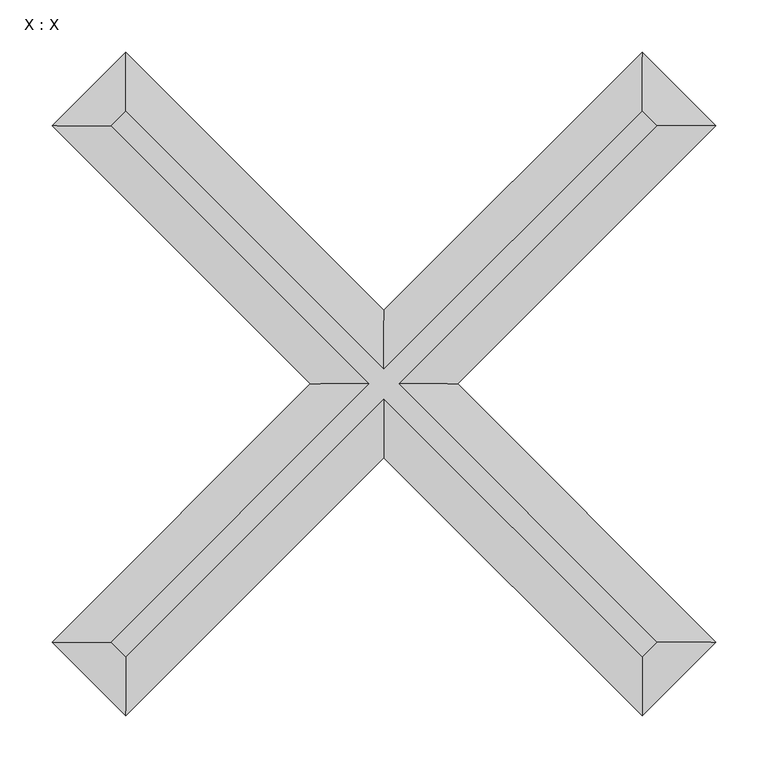
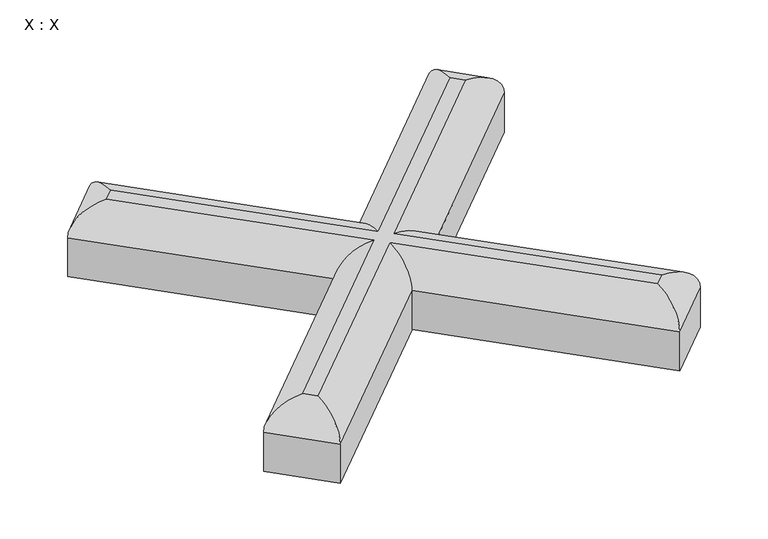
"""IFC4 building model written with IfcOpenShell, lengths in millimetres: proxy geometry, X : X."""

from ifc_helpers import new_model, si_unit, frame, origin, place, context, project, spatial, ellipse_curve, source, transform, mapped, element, save
from ifc_brep_helpers import plane_surface, cylinder_surface, advanced_brep


def x_x_d83d8d01(model_context):
    return source(origin(), model_context, "Body", "AdvancedBrep", [
        advanced_brep(
        [(-14.1421356, 0.0, 100.0), (-261.629509, -247.4873734, 100.0), (-247.4873734, -261.629509, 100.0), (0.0, -14.1421356, 100.0), (247.4873734, -261.629509, 100.0), (261.629509, -247.4873734, 100.0), (14.1421356, 0.0, 100.0), (261.629509, 247.4873734, 100.0), (247.4873734, 261.629509, 100.0), (0.0, 14.1421356, 100.0), (-247.4873734, 261.629509, 100.0), (-261.629509, 247.4873734, 100.0), (-247.4873734, 318.1980515, 0.0), (0.0, 70.7106781, 0.0), (247.4873734, 318.1980515, 0.0), (318.1980515, 247.4873734, 0.0), (70.7106781, 0.0, 0.0), (318.1980515, -247.4873734, 0.0), (247.4873734, -318.1980515, 0.0), (0.0, -70.7106781, 0.0), (-247.4873734, -318.1980515, 0.0), (-318.1980515, -247.4873734, 0.0), (-70.7106781, 0.0, 0.0), (-318.1980515, 247.4873734, 0.0), (-318.1980515, 247.4873734, 60.0), (-247.4873734, 318.1980515, 60.0), (-70.7106781, 0.0, 60.0), (-318.1980515, -247.4873734, 60.0), (-247.4873734, -318.1980515, 60.0), (0.0, -70.7106781, 60.0), (247.4873734, -318.1980515, 60.0), (318.1980515, -247.4873734, 60.0), (70.7106781, 0.0, 60.0), (318.1980515, 247.4873734, 60.0), (247.4873734, 318.1980515, 60.0), (0.0, 70.7106781, 60.0)],
        [
            (0, 1),
            (1, 2),
            (2, 3),
            (3, 4),
            (4, 5),
            (5, 6),
            (6, 7),
            (7, 8),
            (8, 9),
            (9, 10),
            (10, 11),
            (11, 0),
            (12, 13),
            (13, 14),
            (14, 15),
            (15, 16),
            (16, 17),
            (17, 18),
            (18, 19),
            (19, 20),
            (20, 21),
            (21, 22),
            (22, 23),
            (23, 12),
            (23, 24),
            (24, 25),
            (25, 12),
            (22, 26),
            (26, 24),
            (21, 27),
            (27, 26),
            (20, 28),
            (28, 27),
            (19, 29),
            (29, 28),
            (18, 30),
            (30, 29),
            (17, 31),
            (31, 30),
            (16, 32),
            (32, 31),
            (15, 33),
            (33, 32),
            (14, 34),
            (34, 33),
            (13, 35),
            (35, 34),
            (25, 35),
            (27, 1, ellipse_curve(frame((-261.629509, -247.4873734, 60.0), z_axis=(0.0, 1.0, 0.0), x_axis=(-1.0, 0.0, 0.0)), 56.5685425, 40.0)),
            (0, 26, ellipse_curve(frame((-14.1421356, 0.0, 60.0), z_axis=(0.0, -1.0, 0.0), x_axis=(-1.0, 0.0, 0.0)), 56.5685425, 40.0)),
            (28, 2, ellipse_curve(frame((-247.4873734, -261.629509, 60.0), z_axis=(-1.0, 0.0, 0.0), x_axis=(0.0, -1.0, 0.0)), 56.5685425, 40.0)),
            (29, 3, ellipse_curve(frame((0.0, -14.1421356, 60.0), z_axis=(-1.0, 0.0, 0.0), x_axis=(0.0, 1.0, 0.0)), 56.5685425, 40.0)),
            (30, 4, ellipse_curve(frame((247.4873734, -261.629509, 60.0), z_axis=(-1.0, 0.0, 0.0), x_axis=(0.0, -1.0, 0.0)), 56.5685425, 40.0)),
            (31, 5, ellipse_curve(frame((261.629509, -247.4873734, 60.0), z_axis=(0.0, -1.0, 0.0), x_axis=(1.0, 0.0, 0.0)), 56.5685425, 40.0)),
            (32, 6, ellipse_curve(frame((14.1421356, 0.0, 60.0), z_axis=(0.0, -1.0, 0.0), x_axis=(-1.0, 0.0, 0.0)), 56.5685425, 40.0)),
            (33, 7, ellipse_curve(frame((261.629509, 247.4873734, 60.0), z_axis=(0.0, -1.0, 0.0), x_axis=(1.0, 0.0, 0.0)), 56.5685425, 40.0)),
            (34, 8, ellipse_curve(frame((247.4873734, 261.629509, 60.0), z_axis=(1.0, 0.0, 0.0), x_axis=(0.0, 1.0, 0.0)), 56.5685425, 40.0)),
            (35, 9, ellipse_curve(frame((0.0, 14.1421356, 60.0), z_axis=(1.0, 0.0, 0.0), x_axis=(0.0, -1.0, 0.0)), 56.5685425, 40.0)),
            (25, 10, ellipse_curve(frame((-247.4873734, 261.629509, 60.0), z_axis=(1.0, 0.0, 0.0), x_axis=(0.0, 1.0, 0.0)), 56.5685425, 40.0)),
            (24, 11, ellipse_curve(frame((-261.629509, 247.4873734, 60.0), z_axis=(0.0, 1.0, 0.0), x_axis=(-1.0, 0.0, 0.0)), 56.5685425, 40.0)),
        ],
        [
            plane_surface(frame((-318.1980515, 247.4873734, 100.0), z_axis=(0.0, 0.0, 1.0), x_axis=(-0.7071067811865482, -0.7071067811865469, 0.0))),
            plane_surface(frame((-318.1980515, 247.4873734, 0.0), z_axis=(0.0, 0.0, -1.0), x_axis=(0.7071067811865482, 0.7071067811865469, 0.0))),
            plane_surface(frame((-247.4873734, 318.1980515, 100.0), z_axis=(-0.7071067811865469, 0.7071067811865482, 0.0), x_axis=(0.0, 0.0, -1.0))),
            plane_surface(frame((-318.1980515, 247.4873734, 100.0), z_axis=(-0.7071067811865482, -0.7071067811865469, 0.0), x_axis=(0.0, 0.0, -1.0))),
            plane_surface(frame((-70.7106781, 0.0, 100.0), z_axis=(-0.7071067811865458, 0.7071067811865493, 0.0), x_axis=(0.0, 0.0, -1.0))),
            plane_surface(frame((-318.1980515, -247.4873734, 100.0), z_axis=(-0.7071067811865495, -0.7071067811865457, 0.0), x_axis=(0.0, 0.0, -1.0))),
            plane_surface(frame((-247.4873734, -318.1980515, 100.0), z_axis=(0.7071067811865455, -0.7071067811865497, 0.0), x_axis=(0.0, 0.0, -1.0))),
            plane_surface(frame((0.0, -70.7106781, 100.0), z_axis=(-0.7071067811865482, -0.7071067811865469, 0.0), x_axis=(0.0, 0.0, -1.0))),
            plane_surface(frame((247.4873734, -318.1980515, 100.0), z_axis=(0.7071067811865455, -0.7071067811865496, 0.0), x_axis=(0.0, 0.0, -1.0))),
            plane_surface(frame((318.1980515, -247.4873734, 100.0), z_axis=(0.707106781186548, 0.707106781186547, 0.0), x_axis=(0.0, 0.0, -1.0))),
            plane_surface(frame((70.7106781, 0.0, 100.0), z_axis=(0.7071067811865457, -0.7071067811865493, 0.0), x_axis=(0.0, 0.0, -1.0))),
            plane_surface(frame((318.1980515, 247.4873734, 100.0), z_axis=(0.7071067811865489, 0.7071067811865462, 0.0), x_axis=(0.0, 0.0, -1.0))),
            plane_surface(frame((247.4873734, 318.1980515, 100.0), z_axis=(-0.7071067811865459, 0.7071067811865492, 0.0), x_axis=(0.0, 0.0, -1.0))),
            plane_surface(frame((0.0, 70.7106781, 100.0), z_axis=(0.7071067811865481, 0.7071067811865469, 0.0), x_axis=(0.0, 0.0, -1.0))),
            cylinder_surface(frame((-42.4264069, -28.2842712, 60.0), z_axis=(-0.7071067811865491, -0.707106781186546, 0.0), x_axis=(0.707106781186546, -0.7071067811865491, 0.0)), 40.0),
            cylinder_surface(frame((-289.9137803, -219.2031022, 60.0), z_axis=(0.707106781186546, -0.7071067811865491, 0.0), x_axis=(0.7071067811865491, 0.707106781186546, 0.0)), 40.0),
            cylinder_surface(frame((-275.7716447, -289.9137803, 60.0), z_axis=(0.707106781186549, 0.7071067811865461, 0.0), x_axis=(-0.7071067811865461, 0.707106781186549, 0.0)), 40.0),
            cylinder_surface(frame((28.2842712, -42.4264069, 60.0), z_axis=(0.7071067811865472, -0.707106781186548, 0.0), x_axis=(0.707106781186548, 0.7071067811865472, 0.0)), 40.0),
            cylinder_surface(frame((219.2031022, -289.9137803, 60.0), z_axis=(0.707106781186549, 0.707106781186546, 0.0), x_axis=(-0.707106781186546, 0.707106781186549, 0.0)), 40.0),
            cylinder_surface(frame((289.9137803, -275.7716447, 60.0), z_axis=(-0.7071067811865474, 0.7071067811865478, 0.0), x_axis=(-0.7071067811865478, -0.7071067811865474, 0.0)), 40.0),
            cylinder_surface(frame((42.4264069, 28.2842712, 60.0), z_axis=(0.7071067811865495, 0.7071067811865457, 0.0), x_axis=(-0.7071067811865457, 0.7071067811865495, 0.0)), 40.0),
            cylinder_surface(frame((289.9137803, 219.2031022, 60.0), z_axis=(-0.7071067811865461, 0.7071067811865489, 0.0), x_axis=(-0.7071067811865489, -0.7071067811865461, 0.0)), 40.0),
            cylinder_surface(frame((275.7716447, 289.9137803, 60.0), z_axis=(-0.7071067811865489, -0.707106781186546, 0.0), x_axis=(0.707106781186546, -0.7071067811865489, 0.0)), 40.0),
            cylinder_surface(frame((-28.2842712, 42.4264069, 60.0), z_axis=(-0.7071067811865469, 0.7071067811865481, 0.0), x_axis=(-0.7071067811865481, -0.7071067811865469, 0.0)), 40.0),
            cylinder_surface(frame((-219.2031022, 289.9137803, 60.0), z_axis=(-0.7071067811865476, -0.7071067811865475, 0.0), x_axis=(0.7071067811865475, -0.7071067811865476, 0.0)), 40.0),
            cylinder_surface(frame((-289.9137803, 275.7716447, 60.0), z_axis=(0.7071067811865471, -0.7071067811865479, 0.0), x_axis=(0.7071067811865479, 0.7071067811865471, 0.0)), 40.0),
        ],
        [
            (0, [[1, 2, 3, 4, 5, 6, 7, 8, 9, 10, 11, 12]]),
            (1, [[13, 14, 15, 16, 17, 18, 19, 20, 21, 22, 23, 24]]),
            (2, [[-24, 25, 26, 27]]),
            (3, [[-23, 28, 29, -25]]),
            (4, [[-22, 30, 31, -28]]),
            (5, [[-21, 32, 33, -30]]),
            (6, [[-20, 34, 35, -32]]),
            (7, [[-19, 36, 37, -34]]),
            (8, [[-18, 38, 39, -36]]),
            (9, [[-17, 40, 41, -38]]),
            (10, [[-16, 42, 43, -40]]),
            (11, [[-15, 44, 45, -42]]),
            (12, [[-14, 46, 47, -44]]),
            (13, [[-13, -27, 48, -46]]),
            (14, [[49, -1, 50, -31]]),
            (15, [[-49, -33, 51, -2]]),
            (16, [[-51, -35, 52, -3]]),
            (17, [[-52, -37, 53, -4]]),
            (18, [[-53, -39, 54, -5]]),
            (19, [[-54, -41, 55, -6]]),
            (20, [[-55, -43, 56, -7]]),
            (21, [[-56, -45, 57, -8]]),
            (22, [[-57, -47, 58, -9]]),
            (23, [[-58, -48, 59, -10]]),
            (24, [[-59, -26, 60, -11]]),
            (25, [[-50, -12, -60, -29]]),
        ],
    ),
    ])


if __name__ == "__main__":
    model = new_model("IFC4")
    model_context = context("Model", 3, world=origin())
    ifc_project = project(units=[si_unit("LENGTHUNIT", "METRE", prefix="MILLI")], contexts=[model_context])
    site = spatial("IfcSite", under=ifc_project)
    building = spatial("IfcBuilding", under=site)
    placement = place(None, origin())
    x_x_shape = x_x_d83d8d01(model_context)
    element("IfcBuildingElementProxy", 1, Name="X : X", ObjectType="X : X", at=placement, inside=building, context=model_context, shape_type="MappedRepresentation", body=[
        mapped(x_x_shape, transform((0.0, 0.0, 0.0), x_axis=(1.0, 0.0, 0.0), y_axis=(0.0, 1.0, 0.0), z_axis=(0.0, 0.0, 1.0))),
    ])
    save(model, "model.ifc")
